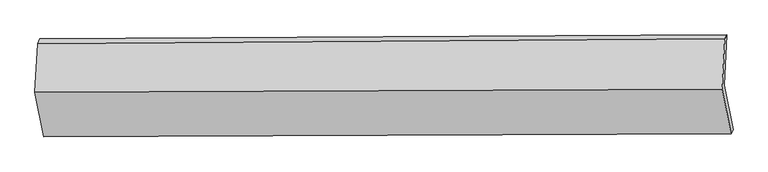
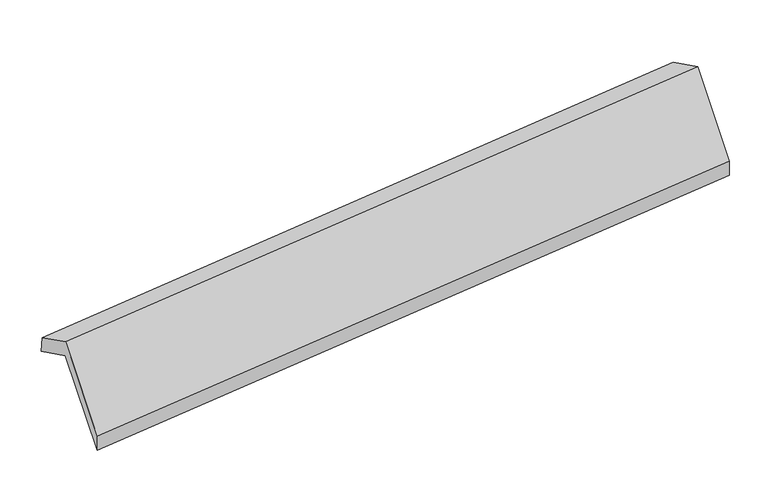
"""IFC4 building model written with IfcOpenShell, lengths in millimetres: proxy geometry."""

from ifc_helpers import new_model, si_unit, frame, origin, place, context, project, spatial, source, transform, mapped, element, save
from ifc_brep_helpers import plane_surface, spline_surface, advanced_brep


def generic_models_188a03af(model_context):
    return source(origin(), model_context, "Body", "AdvancedBrep", [
        advanced_brep(
        [(-5326.7008227, -1516.2364608, 1862.6952117), (-5307.7266131, -1163.0420538, 1678.7481557), (-416.9563212, -1134.129977, 2192.9798319), (-436.2216373, -1492.7431711, 2379.7490446), (-5263.0426999, -1832.6200018, 1261.7775512), (-372.5635145, -1809.1267121, 1778.8313841), (-5277.2474125, -1860.3158169, 1396.9287055), (-386.7682272, -1836.8225272, 1913.9825383), (-5340.9491938, -1543.7152916, 1998.2584914), (-450.4700084, -1520.2220019, 2515.3123242), (-5322.4126334, -1198.6674828, 1818.5542623), (-431.1720781, -1161.0017133, 2328.2269309)],
        [
            (0, 1),
            (1, 2),
            (2, 3),
            (3, 0),
            (4, 0),
            (3, 5),
            (5, 4),
            (6, 4),
            (5, 7),
            (7, 6),
            (8, 6),
            (7, 9),
            (9, 8),
            (10, 8),
            (9, 11),
            (11, 10),
            (1, 10),
            (11, 2),
        ],
        [
            plane_surface(frame((-5317.2137179, -1339.6392573, 1770.7216837), z_axis=(0.09534948112334574, -0.46383793894303643, -0.8807740021404952), x_axis=(0.04759301563967976, 0.8859176376181198, -0.461394456207973))),
            plane_surface(frame((-5294.8717613, -1674.4282313, 1562.2363814), z_axis=(0.04455942299313451, 0.8859100642789698, -0.4617118320248581), x_axis=(-0.09332742134230584, 0.46384119943906876, 0.880988838821765))),
            plane_surface(frame((-5270.1450562, -1846.4679093, 1329.3531283), z_axis=(0.025651377358847587, -0.9798463635784618, -0.19809873957614904), x_axis=(0.10242126157666322, 0.19969712896591604, -0.9744900932589388))),
            plane_surface(frame((-5309.0983031, -1702.0155543, 1697.5935984), z_axis=(-0.04455942299313644, -0.8859100642789643, 0.4617118320248685), x_axis=(0.0933274213423076, -0.4638411994390793, -0.8809888388217593))),
            plane_surface(frame((-5331.6809136, -1371.1913872, 1908.4063768), z_axis=(-0.09534948112334272, 0.4638379389430362, 0.8807740021404956), x_axis=(-0.0475930156396799, -0.8859176376181199, 0.4613944562079727))),
            spline_surface(1, 1, [[(-5307.7266131, -1163.0420538, 1678.7481557), (-416.9563212, -1134.129977, 2192.9798319)], [(-5322.4126334, -1198.6674828, 1818.5542623), (-431.1720781, -1161.0017133, 2328.2269309)]], [2, 2], [2, 2], [0.0, 1.0], [0.0, 1.0]),
            plane_surface(frame((-415.6919645, -1492.3410171, 2184.847009), z_axis=(0.9944973088389518, 0.001131839235107894, 0.10475601009979538), x_axis=(0.0933274213423076, -0.4638411994390793, -0.8809888388217593))),
            plane_surface(frame((-5306.3465626, -1519.0995179, 1669.4937296), z_axis=(-0.9944973088389514, -0.0011318392350993384, -0.10475601009980018), x_axis=(-0.04759301563967964, -0.8859176376181197, 0.46139445620797304))),
        ],
        [
            (0, [[1, 2, 3, 4]]),
            (1, [[5, -4, 6, 7]]),
            (2, [[8, -7, 9, 10]]),
            (3, [[11, -10, 12, 13]]),
            (4, [[14, -13, 15, 16]]),
            (5, [[17, -16, 18, -2]]),
            (6, [[-12, -9, -6, -3, -18, -15]]),
            (7, [[-1, -5, -8, -11, -14, -17]]),
        ],
    ),
    ])


if __name__ == "__main__":
    model = new_model("IFC4")
    model_context = context("Model", 3, world=origin())
    ifc_project = project(units=[si_unit("LENGTHUNIT", "METRE", prefix="MILLI")], contexts=[model_context])
    site = spatial("IfcSite", under=ifc_project)
    building = spatial("IfcBuilding", under=site)
    placement = place(None, origin())
    generic_models_shape = generic_models_188a03af(model_context)
    element("IfcBuildingElementProxy", 1, Name="Generic Models", at=placement, inside=building, context=model_context, shape_type="MappedRepresentation", body=[
        mapped(generic_models_shape, transform((0.0, 0.0, 0.0), x_axis=(1.0, 0.0, 0.0), y_axis=(0.0, 1.0, 0.0), z_axis=(0.0, 0.0, 1.0))),
    ])
    save(model, "model.ifc")
